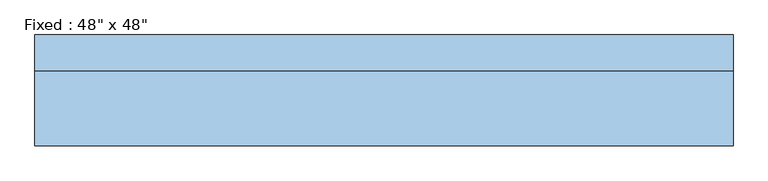
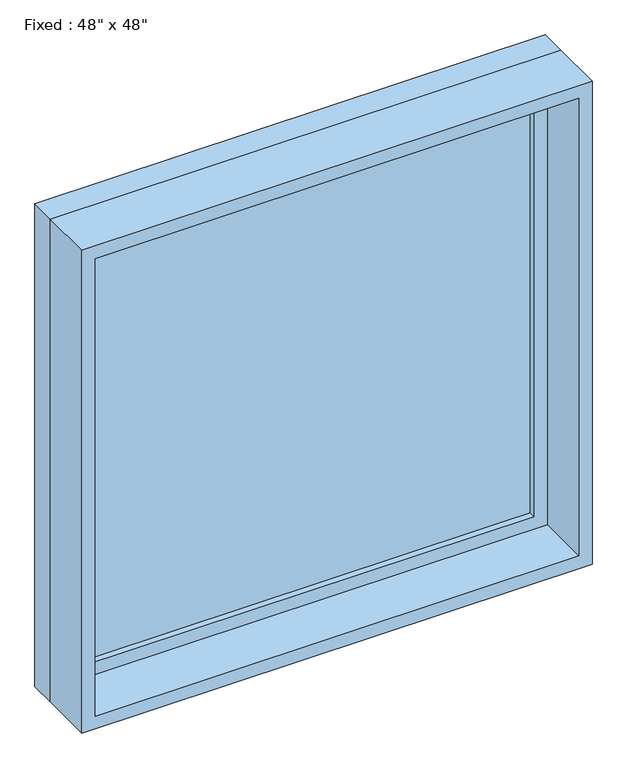
"""IFC4 building model written with IfcOpenShell, lengths in millimetres: window geometry."""

from ifc_helpers import new_model, si_unit, frame, origin, place, context, project, spatial, polyline, outline, extrude, source, transform, mapped, element, save


def window_1e0a9dc0(model_context):
    return source(origin(), model_context, "Body", "SweptSolid", [
        extrude(outline(polyline([(508.0, 49.2125), (-584.2, 49.2125), (-584.2, 61.9125), (508.0, 61.9125), (508.0, 49.2125)])), frame((0.0, 0.0, 977.9), z_axis=(0.0, 0.0, 1.0), x_axis=(1.0, 0.0, 0.0)), (0.0, 0.0, 1.0), 1092.2),
        extrude(outline(polyline([(2114.55, -628.65), (933.45, -628.65), (933.45, 552.45), (2114.55, 552.45), (2114.55, -628.65)]), holes=[polyline([(2070.1, -584.2), (2070.1, 508.0), (977.9, 508.0), (977.9, -584.2), (2070.1, -584.2)])]), frame((0.0, 33.3375, 0.0), z_axis=(0.0, 1.0, 0.0), x_axis=(0.0, 0.0, 1.0)), (0.0, 0.0, 1.0), 44.45),
        extrude(outline(polyline([(2133.6, -647.7), (914.4, -647.7), (914.4, 571.5), (2133.6, 571.5), (2133.6, -647.7)]), holes=[polyline([(2101.85, -615.95), (2101.85, 539.75), (946.15, 539.75), (946.15, -615.95), (2101.85, -615.95)])]), frame((0.0, -96.8375, 0.0), z_axis=(0.0, 1.0, 0.0), x_axis=(0.0, 0.0, 1.0)), (0.0, 0.0, 1.0), 130.175),
        extrude(outline(polyline([(2133.6, 571.5), (2133.6, -647.7), (914.4, -647.7), (914.4, 571.5), (2133.6, 571.5)]), holes=[polyline([(2114.55, 552.45), (933.45, 552.45), (933.45, -628.65), (2114.55, -628.65), (2114.55, 552.45)])]), frame((0.0, 33.3375, 0.0), z_axis=(0.0, 1.0, 0.0), x_axis=(0.0, 0.0, 1.0)), (0.0, 0.0, 1.0), 63.5),
    ])


if __name__ == "__main__":
    model = new_model("IFC4")
    model_context = context("Model", 3, world=origin())
    ifc_project = project(units=[si_unit("LENGTHUNIT", "METRE", prefix="MILLI")], contexts=[model_context])
    site = spatial("IfcSite", under=ifc_project)
    building = spatial("IfcBuilding", under=site)
    placement = place(None, origin())
    window_shape = window_1e0a9dc0(model_context)
    element("IfcWindow", 1, ObjectType="Fixed : 48\" x 48\"", at=placement, inside=building, context=model_context, shape_type="MappedRepresentation", body=[
        mapped(window_shape, transform((0.0, 0.0, 0.0), x_axis=(1.0, 0.0, 0.0), y_axis=(0.0, 1.0, 0.0), z_axis=(0.0, 0.0, 1.0))),
    ])
    save(model, "model.ifc")
